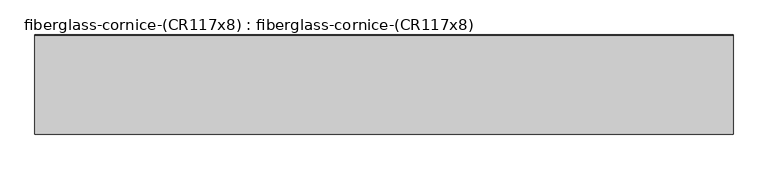
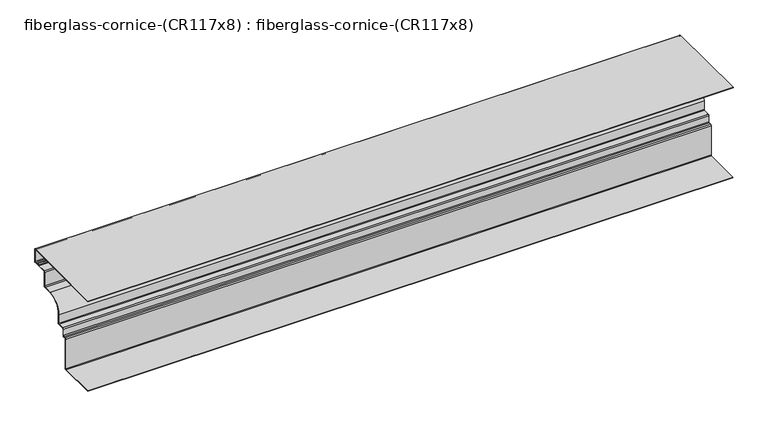
"""IFC4 building model written with IfcOpenShell, lengths in millimetres: furniture geometry, fiberglass-cornice-(CR117x8) : fiberglass-cornice-(CR117x8)."""

import ifcopenshell
import ifcopenshell.guid

model = None  # the IFC model being written
_history = None  # IfcOwnerHistory: only IFC2X3 demands one
_inside = {}  # id of a spatial element -> (the spatial element, [elements in it])
_under = {}  # id of a project, library or spatial element -> (it, [spatial elements below it])
_declared = {}  # id of a project -> (the project, [libraries it declares])
_typed = {}  # id of a type object -> (the type object, [elements of that type])
_made_of = {}  # id of a material, layer set ... -> (it, [elements and type objects made of it])


def new_model(schema):
    """Start an empty IFC model of exactly this schema.

    Asked for "IFC4X3", IfcOpenShell would pick the latest addendum, in which some entities
    have other attributes; the version numbers below select the first issue.
    IFC2X3 requires an IfcOwnerHistory on every rooted entity: one is made here for all.
    """
    global model, _history
    if schema == "IFC4X3":
        model = ifcopenshell.file(schema_version=(4, 3, 0, 0))
    else:
        model = ifcopenshell.file(schema=schema)
    _inside.clear()
    _under.clear()
    _declared.clear()
    _typed.clear()
    _made_of.clear()
    _history = None
    if model.schema == "IFC2X3":
        org = make("IfcOrganization", Name="unknown")
        user = make(
            "IfcPersonAndOrganization",
            ThePerson=make("IfcPerson", FamilyName="unknown"),
            TheOrganization=org,
        )
        app = make(
            "IfcApplication",
            ApplicationDeveloper=org,
            Version="unknown",
            ApplicationFullName="unknown",
            ApplicationIdentifier="unknown",
        )
        _history = make(
            "IfcOwnerHistory",
            OwningUser=user,
            OwningApplication=app,
            ChangeAction="ADDED",
            CreationDate=0,
        )
    return model


def make(cls, **values):
    """One entity of the class cls with the attributes given. An attribute that is None is left unset."""
    return model.create_entity(
        cls, **{name: value for name, value in values.items() if value is not None}
    )


def rooted(cls, **values):
    """An entity with a GlobalId (a new one), such as an element, a storey or a relation."""
    return make(cls, GlobalId=ifcopenshell.guid.new(), OwnerHistory=_history, **values)


def si_unit(unit_type, name, prefix=None):
    """IfcSIUnit, for example si_unit("LENGTHUNIT", "METRE", prefix="MILLI")."""
    return make("IfcSIUnit", UnitType=unit_type, Prefix=prefix, Name=name)


def assignment(units):
    """IfcUnitAssignment: the units of a project."""
    return None if units is None else make("IfcUnitAssignment", Units=units)


def point(xyz):
    """IfcCartesianPoint."""
    return None if xyz is None else make("IfcCartesianPoint", Coordinates=xyz)


def direction(xyz):
    """IfcDirection."""
    return None if xyz is None else make("IfcDirection", DirectionRatios=xyz)


def frame(location, z_axis=None, x_axis=None):
    """IfcAxis2Placement3D, a coordinate frame: its origin and axes. An axis left out is left unset."""
    return make(
        "IfcAxis2Placement3D",
        Location=point(location),
        Axis=direction(z_axis),
        RefDirection=direction(x_axis),
    )


def frame_2d(location, x_axis=None):
    """IfcAxis2Placement2D, a coordinate frame in the plane: its origin and x axis."""
    return make(
        "IfcAxis2Placement2D", Location=point(location), RefDirection=direction(x_axis)
    )


def origin():
    """The frame at (0, 0, 0) with its axes left unset."""
    return frame((0.0, 0.0, 0.0))


def place(relative_to, where):
    """IfcLocalPlacement: puts the frame where relative to a parent placement (None: the world)."""
    return make(
        "IfcLocalPlacement", PlacementRelTo=relative_to, RelativePlacement=where
    )


def context(
    kind, dimensions, precision=None, world=None, true_north=None, identifier=None
):
    """IfcGeometricRepresentationContext, for example the 3D "Model" context."""
    return make(
        "IfcGeometricRepresentationContext",
        ContextIdentifier=identifier,
        ContextType=kind,
        CoordinateSpaceDimension=dimensions,
        Precision=precision,
        WorldCoordinateSystem=world,
        TrueNorth=true_north,
    )


def project(units=None, contexts=None):
    """IfcProject with its units and contexts."""
    return rooted(
        "IfcProject",
        Name="project",
        RepresentationContexts=contexts,
        UnitsInContext=assignment(units),
    )


def spatial(cls, under=None, at=None, **own):
    """A site, building, storey or space (cls), placed at a placement, below another one or the project."""
    s = rooted(cls, ObjectPlacement=at, **own)
    if under is not None:
        _under.setdefault(under.id(), (under, []))[1].append(s)
    return s


def polyline(points):
    """IfcPolyline through the points."""
    return make("IfcPolyline", Points=[point(p) for p in points])


def circle_curve(where, radius):
    """IfcCircle in the frame where."""
    return make("IfcCircle", Position=where, Radius=radius)


def trimmed(basis, trim1, trim2, sense, master):
    """IfcTrimmedCurve: the piece of a basis curve between two trims."""
    return make(
        "IfcTrimmedCurve",
        BasisCurve=basis,
        Trim1=trim1,
        Trim2=trim2,
        SenseAgreement=sense,
        MasterRepresentation=master,
    )


def segment(curve, same_sense, transition):
    """IfcCompositeCurveSegment."""
    return make(
        "IfcCompositeCurveSegment",
        Transition=transition,
        SameSense=same_sense,
        ParentCurve=curve,
    )


def composite_curve(segments, self_intersect=None):
    """IfcCompositeCurve: segments joined end to end."""
    return make("IfcCompositeCurve", Segments=segments, SelfIntersect=self_intersect)


def outline(outer, holes=None, kind="AREA"):
    """IfcArbitraryClosedProfileDef: a profile drawn as a closed curve; with holes, ...WithVoids."""
    if holes is None:
        return make("IfcArbitraryClosedProfileDef", ProfileType=kind, OuterCurve=outer)
    return make(
        "IfcArbitraryProfileDefWithVoids",
        ProfileType=kind,
        OuterCurve=outer,
        InnerCurves=holes,
    )


def extrude(swept, where, along, depth):
    """IfcExtrudedAreaSolid: the profile swept, set in the frame where, extruded along a direction by depth."""
    return make(
        "IfcExtrudedAreaSolid",
        SweptArea=swept,
        Position=where,
        ExtrudedDirection=direction(along),
        Depth=depth,
    )


def shape(context_of_items, identifier, shape_type, items):
    """IfcShapeRepresentation: the items that make up one representation, for example the "Body"."""
    return make(
        "IfcShapeRepresentation",
        ContextOfItems=context_of_items,
        RepresentationIdentifier=identifier,
        RepresentationType=shape_type,
        Items=items,
    )


def source(mapping_origin, context_of_items, identifier, shape_type, items):
    """IfcRepresentationMap: a shape defined once, which mapped items show again and again."""
    return make(
        "IfcRepresentationMap",
        MappingOrigin=mapping_origin,
        MappedRepresentation=shape(context_of_items, identifier, shape_type, items),
    )


def transform(
    local_origin,
    x_axis=None,
    y_axis=None,
    z_axis=None,
    scale=None,
    scale2=None,
    scale3=None,
    uniform=True,
):
    """IfcCartesianTransformationOperator3D, or its non-uniform kind. x_axis, y_axis, z_axis: its Axis1, 2, 3."""
    if uniform:
        return make(
            "IfcCartesianTransformationOperator3D",
            Axis1=direction(x_axis),
            Axis2=direction(y_axis),
            LocalOrigin=point(local_origin),
            Scale=scale,
            Axis3=direction(z_axis),
        )
    return make(
        "IfcCartesianTransformationOperator3DnonUniform",
        Axis1=direction(x_axis),
        Axis2=direction(y_axis),
        LocalOrigin=point(local_origin),
        Scale=scale,
        Axis3=direction(z_axis),
        Scale2=scale2,
        Scale3=scale3,
    )


def mapped(mapping_source, mapping_target):
    """IfcMappedItem: shows the shape of a source again, moved by a transform."""
    return make(
        "IfcMappedItem", MappingSource=mapping_source, MappingTarget=mapping_target
    )


def made_of(thing, what):
    """Note that an element or type object is made of a material, layer set ...; save() writes the relation."""
    if what is not None:
        _made_of.setdefault(what.id(), (what, []))[1].append(thing)
    return thing


def element(
    cls,
    number,
    at=None,
    inside=None,
    cuts=None,
    type_object=None,
    material=None,
    context=None,
    identifier="Body",
    shape_type=None,
    held_by="IfcProductDefinitionShape",
    body=None,
    shapes=None,
    **own,
):
    """One element of the class cls, such as IfcWall. Its Tag is "e" and its number.

    at: its placement. inside: the storey or other place that contains it. cuts: it is an
    opening in that element (IfcRelVoidsElement). A single representation is given by context,
    identifier, shape_type and body (its items); several are given by shapes. held_by: the class
    of the entity that holds the representations. save() writes the other relations.
    """
    e = rooted(cls, Tag="e%d" % number, ObjectPlacement=at, **own)
    if body is not None:
        shapes = [shape(context, identifier, shape_type, body)]
    if shapes is not None:
        e.Representation = make(held_by, Representations=shapes)
    if inside is not None:
        _inside.setdefault(inside.id(), (inside, []))[1].append(e)
    if cuts is not None:
        rooted(
            "IfcRelVoidsElement", RelatingBuildingElement=cuts, RelatedOpeningElement=e
        )
    if type_object is not None:
        _typed.setdefault(type_object.id(), (type_object, []))[1].append(e)
    return made_of(e, material)


def aggregate(whole, parts):
    """IfcRelAggregates: a whole, such as a stair, and the parts it consists of."""
    return rooted("IfcRelAggregates", RelatingObject=whole, RelatedObjects=parts)


def save(model, path):
    """Write the relations noted so far, then the file.

    IfcRelAggregates (storeys below a building ...), IfcRelContainedInSpatialStructure (elements
    in a storey), IfcRelDefinesByType, IfcRelAssociatesMaterial and IfcRelDeclares: one each for
    every whole, place, type object, material and project.
    """
    for whole, parts in _under.values():
        aggregate(whole, parts)
    for where, things in _inside.values():
        rooted(
            "IfcRelContainedInSpatialStructure",
            RelatedElements=things,
            RelatingStructure=where,
        )
    for kind, things in _typed.values():
        rooted("IfcRelDefinesByType", RelatedObjects=things, RelatingType=kind)
    for what, things in _made_of.values():
        rooted("IfcRelAssociatesMaterial", RelatedObjects=things, RelatingMaterial=what)
    for by, libraries in _declared.values():
        rooted("IfcRelDeclares", RelatingContext=by, RelatedDefinitions=libraries)
    model.write(path)


def fiberglass_cornice_cr117x8_fiberglass_cornice_cr117x8_93c72b82(model_context):
    return source(origin(), model_context, "Body", "SweptSolid", [
        extrude(outline(composite_curve([segment(trimmed(circle_curve(frame_2d((669.9250725, 327.025)), 3.1749904), [point((669.9250725, 330.1999904))], [point((673.1000629, 327.025))], False, "CARTESIAN"), True, "CONTINUOUS"), segment(polyline([(673.1000629, 327.025), (673.1000629, 244.4749959)]), True, "CONTINUOUS"), segment(trimmed(circle_curve(frame_2d((669.9250725, 244.4749959)), 3.1749904), [point((673.1000629, 244.4749959))], [point((669.9250725, 241.3000055))], False, "CARTESIAN"), True, "CONTINUOUS"), segment(polyline([(669.9250725, 241.3000055), (650.3303734, 241.3000055)]), True, "CONTINUOUS"), segment(trimmed(circle_curve(frame_2d((650.3303734, 244.4750244)), 3.175019), [point((650.3303734, 241.3000055))], [point((647.3369391, 243.4166784))], False, "CARTESIAN"), True, "CONTINUOUS"), segment(trimmed(circle_curve(frame_2d((641.3501062, 241.2999989)), 6.35), [point((647.3369391, 243.4166784))], [point((635.3632764, 243.4166872))], True, "CARTESIAN"), True, "CONTINUOUS"), segment(trimmed(circle_curve(frame_2d((632.369825, 244.4750442)), 3.1750388), [point((635.3632764, 243.4166872))], [point((632.369825, 241.3000055))], False, "CARTESIAN"), True, "CONTINUOUS"), segment(polyline([(632.369825, 241.3000055), (574.6751514, 241.3000055)]), True, "CONTINUOUS"), segment(trimmed(circle_curve(frame_2d((574.6751514, 238.1249852)), 3.1750202), [point((574.6751514, 241.3000055))], [point((571.5001312, 238.1249852))], True, "CARTESIAN"), True, "CONTINUOUS"), segment(polyline([(571.5001312, 238.1249852), (571.5001312, 142.8749971)]), True, "CONTINUOUS"), segment(trimmed(circle_curve(frame_2d((568.3251334, 142.8749971)), 3.1749979), [point((571.5001312, 142.8749971))], [point((568.3251334, 139.6999992))], False, "CARTESIAN"), True, "CONTINUOUS"), segment(polyline([(568.3251334, 139.6999992), (508.0001413, 139.6999992)]), True, "CONTINUOUS"), segment(trimmed(circle_curve(frame_2d((508.9210713, 49.8790338)), 89.8256865), [point((508.0001413, 139.6999992))], [point((419.1001144, 50.8008042))], True, "CARTESIAN"), True, "CONTINUOUS"), segment(polyline([(419.1001144, 50.8008042), (419.1001144, -9.525001)]), True, "CONTINUOUS"), segment(trimmed(circle_curve(frame_2d((415.9251129, -9.525001)), 3.1750016), [point((419.1001144, -9.525001))], [point((415.9251129, -12.7000026))], False, "CARTESIAN"), True, "CONTINUOUS"), segment(polyline([(415.9251129, -12.7000026), (371.4750496, -12.7000026)]), True, "CONTINUOUS"), segment(trimmed(circle_curve(frame_2d((371.4750496, -15.8749036)), 3.174901), [point((371.4750496, -12.7000026))], [point((368.3001486, -15.8749036))], True, "CARTESIAN"), True, "CONTINUOUS"), segment(polyline([(368.3001486, -15.8749036), (368.3001486, -60.3249781)]), True, "CONTINUOUS"), segment(trimmed(circle_curve(frame_2d((365.1251284, -60.3249781)), 3.1750202), [point((368.3001486, -60.3249781))], [point((365.1251284, -63.4999983))], False, "CARTESIAN"), True, "CONTINUOUS"), segment(polyline([(365.1251284, -63.4999983), (346.0751263, -63.4999983)]), True, "CONTINUOUS"), segment(trimmed(circle_curve(frame_2d((346.0751263, -66.6750185)), 3.1750202), [point((346.0751263, -63.4999983))], [point((342.900106, -66.6750185))], True, "CARTESIAN"), True, "CONTINUOUS"), segment(polyline([(342.900106, -66.6750185), (342.900106, -263.5250054)]), True, "CONTINUOUS"), segment(trimmed(circle_curve(frame_2d((339.7251156, -263.5250054)), 3.1749904), [point((342.900106, -263.5250054))], [point((339.7251156, -266.6999958))], False, "CARTESIAN"), True, "CONTINUOUS"), segment(polyline([(339.7251156, -266.6999958), (104.7750202, -266.6999958), (104.7750202, -263.2074915), (334.9626449, -263.2074915)]), True, "CONTINUOUS"), segment(trimmed(circle_curve(frame_2d((334.9626449, -258.7625049)), 4.4449866), [point((334.9626449, -263.2074915))], [point((339.4076315, -258.7625049))], True, "CARTESIAN"), True, "CONTINUOUS"), segment(polyline([(339.4076315, -258.7625049), (339.4076315, -66.6749962)]), True, "CONTINUOUS"), segment(trimmed(circle_curve(frame_2d((346.0751263, -66.6749962)), 6.6674948), [point((339.4076315, -66.6749962))], [point((346.0751263, -60.0075014))], False, "CARTESIAN"), True, "CONTINUOUS"), segment(polyline([(346.0751263, -60.0075014), (360.3625533, -60.0075014)]), True, "CONTINUOUS"), segment(trimmed(circle_curve(frame_2d((360.3625533, -55.5624999)), 4.4450015), [point((360.3625533, -60.0075014))], [point((364.8075548, -55.5624999))], True, "CARTESIAN"), True, "CONTINUOUS"), segment(polyline([(364.8075548, -55.5624999), (364.8075548, -15.8749968)]), True, "CONTINUOUS"), segment(trimmed(circle_curve(frame_2d((371.4750496, -15.8749968)), 6.6674948), [point((364.8075548, -15.8749968))], [point((371.4750496, -9.207502))], False, "CARTESIAN"), True, "CONTINUOUS"), segment(polyline([(371.4750496, -9.207502), (411.1626384, -9.207502)]), True, "CONTINUOUS"), segment(trimmed(circle_curve(frame_2d((411.1626384, -4.7625005)), 4.4450015), [point((411.1626384, -9.207502))], [point((415.6076399, -4.7625005))], True, "CARTESIAN"), True, "CONTINUOUS"), segment(polyline([(415.6076399, -4.7625005), (415.6076399, 50.8210771)]), True, "CONTINUOUS"), segment(trimmed(circle_curve(frame_2d((508.9210713, 49.8790338)), 93.3181865), [point((415.6076399, 50.8210771))], [point((507.982101, 143.1924962))], False, "CARTESIAN"), True, "CONTINUOUS"), segment(polyline([(507.982101, 143.1924962), (563.5626552, 143.1924962)]), True, "CONTINUOUS"), segment(trimmed(circle_curve(frame_2d((563.5626552, 147.6374976)), 4.4450015), [point((563.5626552, 143.1924962))], [point((568.0076567, 147.6374976))], True, "CARTESIAN"), True, "CONTINUOUS"), segment(polyline([(568.0076567, 147.6374976), (568.0076567, 238.1250001)]), True, "CONTINUOUS"), segment(trimmed(circle_curve(frame_2d((574.6751514, 238.1250001)), 6.6674948), [point((568.0076567, 238.1250001))], [point((574.6751514, 244.7924949))], False, "CARTESIAN"), True, "CONTINUOUS"), segment(polyline([(574.6751514, 244.7924949), (629.4702974, 244.7924949)]), True, "CONTINUOUS"), segment(trimmed(circle_curve(frame_2d((629.4702974, 249.2375771)), 4.4450821), [point((629.4702974, 244.7924949))], [point((633.166285, 246.7680769))], True, "CARTESIAN"), True, "CONTINUOUS"), segment(trimmed(circle_curve(frame_2d((641.3501062, 241.2999989)), 9.8425), [point((633.166285, 246.7680769))], [point((649.5339424, 246.7680544))], False, "CARTESIAN"), True, "CONTINUOUS"), segment(trimmed(circle_curve(frame_2d((653.2298758, 249.2375038)), 4.4450089), [point((649.5339424, 246.7680544))], [point((653.2298758, 244.7924949))], True, "CARTESIAN"), True, "CONTINUOUS"), segment(polyline([(653.2298758, 244.7924949), (665.1625869, 244.7924949)]), True, "CONTINUOUS"), segment(trimmed(circle_curve(frame_2d((665.1625869, 249.2374964)), 4.4450015), [point((665.1625869, 244.7924949))], [point((669.6075884, 249.2374964))], True, "CARTESIAN"), True, "CONTINUOUS"), segment(polyline([(669.6075884, 249.2374964), (669.6075884, 322.2624995)]), True, "CONTINUOUS"), segment(trimmed(circle_curve(frame_2d((665.1626018, 322.2624995)), 4.4449866), [point((669.6075884, 322.2624995))], [point((665.1626018, 326.7074861))], True, "CARTESIAN"), True, "CONTINUOUS"), segment(polyline([(665.1626018, 326.7074861), (101.6, 326.7074861), (101.6, 330.1999904), (669.9250725, 330.1999904)]), True, "CONTINUOUS")], self_intersect=False)), frame((-2012.9498044, 0.0, 0.0), z_axis=(1.0, 0.0, 0.0), x_axis=(0.0, 1.0, 0.0)), (0.0, 0.0, 1.0), 4025.8996087),
    ])


if __name__ == "__main__":
    model = new_model("IFC4")
    model_context = context("Model", 3, world=origin())
    ifc_project = project(units=[si_unit("LENGTHUNIT", "METRE", prefix="MILLI")], contexts=[model_context])
    site = spatial("IfcSite", under=ifc_project)
    building = spatial("IfcBuilding", under=site)
    placement = place(None, origin())
    fiberglass_cornice_cr117x8_fiberglass_cornice_cr117x8_shape = fiberglass_cornice_cr117x8_fiberglass_cornice_cr117x8_93c72b82(model_context)
    element("IfcFurniture", 1, ObjectType="fiberglass-cornice-(CR117x8) : fiberglass-cornice-(CR117x8)", at=placement, inside=building, context=model_context, shape_type="MappedRepresentation", body=[
        mapped(fiberglass_cornice_cr117x8_fiberglass_cornice_cr117x8_shape, transform((0.0, 0.0, 0.0), x_axis=(1.0, 0.0, 0.0), y_axis=(0.0, 1.0, 0.0), z_axis=(0.0, 0.0, 1.0))),
    ])
    save(model, "model.ifc")
